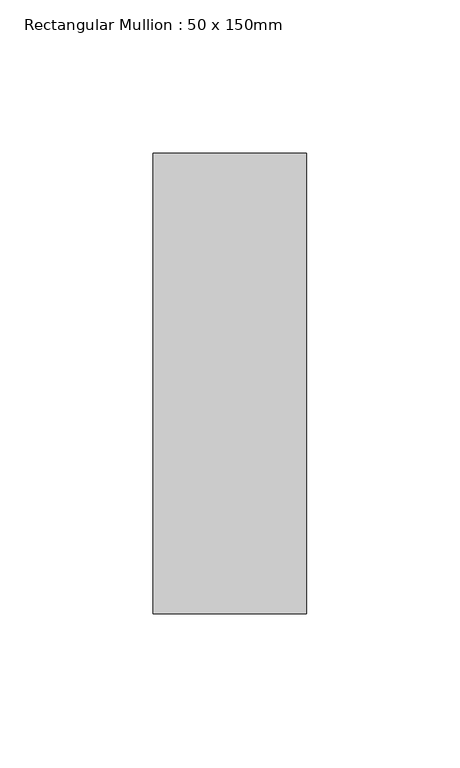
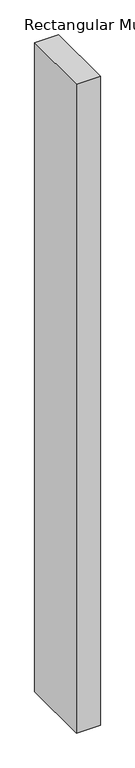
"""IFC4 building model written with IfcOpenShell, lengths in millimetres: member geometry, Rectangular Mullion : 50 x 150mm."""

import ifcopenshell
import ifcopenshell.guid

model = None  # the IFC model being written
_history = None  # IfcOwnerHistory: only IFC2X3 demands one
_inside = {}  # id of a spatial element -> (the spatial element, [elements in it])
_under = {}  # id of a project, library or spatial element -> (it, [spatial elements below it])
_declared = {}  # id of a project -> (the project, [libraries it declares])
_typed = {}  # id of a type object -> (the type object, [elements of that type])
_made_of = {}  # id of a material, layer set ... -> (it, [elements and type objects made of it])


def new_model(schema):
    """Start an empty IFC model of exactly this schema.

    Asked for "IFC4X3", IfcOpenShell would pick the latest addendum, in which some entities
    have other attributes; the version numbers below select the first issue.
    IFC2X3 requires an IfcOwnerHistory on every rooted entity: one is made here for all.
    """
    global model, _history
    if schema == "IFC4X3":
        model = ifcopenshell.file(schema_version=(4, 3, 0, 0))
    else:
        model = ifcopenshell.file(schema=schema)
    _inside.clear()
    _under.clear()
    _declared.clear()
    _typed.clear()
    _made_of.clear()
    _history = None
    if model.schema == "IFC2X3":
        org = make("IfcOrganization", Name="unknown")
        user = make(
            "IfcPersonAndOrganization",
            ThePerson=make("IfcPerson", FamilyName="unknown"),
            TheOrganization=org,
        )
        app = make(
            "IfcApplication",
            ApplicationDeveloper=org,
            Version="unknown",
            ApplicationFullName="unknown",
            ApplicationIdentifier="unknown",
        )
        _history = make(
            "IfcOwnerHistory",
            OwningUser=user,
            OwningApplication=app,
            ChangeAction="ADDED",
            CreationDate=0,
        )
    return model


def make(cls, **values):
    """One entity of the class cls with the attributes given. An attribute that is None is left unset."""
    return model.create_entity(
        cls, **{name: value for name, value in values.items() if value is not None}
    )


def rooted(cls, **values):
    """An entity with a GlobalId (a new one), such as an element, a storey or a relation."""
    return make(cls, GlobalId=ifcopenshell.guid.new(), OwnerHistory=_history, **values)


def si_unit(unit_type, name, prefix=None):
    """IfcSIUnit, for example si_unit("LENGTHUNIT", "METRE", prefix="MILLI")."""
    return make("IfcSIUnit", UnitType=unit_type, Prefix=prefix, Name=name)


def assignment(units):
    """IfcUnitAssignment: the units of a project."""
    return None if units is None else make("IfcUnitAssignment", Units=units)


def point(xyz):
    """IfcCartesianPoint."""
    return None if xyz is None else make("IfcCartesianPoint", Coordinates=xyz)


def direction(xyz):
    """IfcDirection."""
    return None if xyz is None else make("IfcDirection", DirectionRatios=xyz)


def frame(location, z_axis=None, x_axis=None):
    """IfcAxis2Placement3D, a coordinate frame: its origin and axes. An axis left out is left unset."""
    return make(
        "IfcAxis2Placement3D",
        Location=point(location),
        Axis=direction(z_axis),
        RefDirection=direction(x_axis),
    )


def origin():
    """The frame at (0, 0, 0) with its axes left unset."""
    return frame((0.0, 0.0, 0.0))


def place(relative_to, where):
    """IfcLocalPlacement: puts the frame where relative to a parent placement (None: the world)."""
    return make(
        "IfcLocalPlacement", PlacementRelTo=relative_to, RelativePlacement=where
    )


def context(
    kind, dimensions, precision=None, world=None, true_north=None, identifier=None
):
    """IfcGeometricRepresentationContext, for example the 3D "Model" context."""
    return make(
        "IfcGeometricRepresentationContext",
        ContextIdentifier=identifier,
        ContextType=kind,
        CoordinateSpaceDimension=dimensions,
        Precision=precision,
        WorldCoordinateSystem=world,
        TrueNorth=true_north,
    )


def project(units=None, contexts=None):
    """IfcProject with its units and contexts."""
    return rooted(
        "IfcProject",
        Name="project",
        RepresentationContexts=contexts,
        UnitsInContext=assignment(units),
    )


def spatial(cls, under=None, at=None, **own):
    """A site, building, storey or space (cls), placed at a placement, below another one or the project."""
    s = rooted(cls, ObjectPlacement=at, **own)
    if under is not None:
        _under.setdefault(under.id(), (under, []))[1].append(s)
    return s


def polyline(points):
    """IfcPolyline through the points."""
    return make("IfcPolyline", Points=[point(p) for p in points])


def outline(outer, holes=None, kind="AREA"):
    """IfcArbitraryClosedProfileDef: a profile drawn as a closed curve; with holes, ...WithVoids."""
    if holes is None:
        return make("IfcArbitraryClosedProfileDef", ProfileType=kind, OuterCurve=outer)
    return make(
        "IfcArbitraryProfileDefWithVoids",
        ProfileType=kind,
        OuterCurve=outer,
        InnerCurves=holes,
    )


def extrude(swept, where, along, depth):
    """IfcExtrudedAreaSolid: the profile swept, set in the frame where, extruded along a direction by depth."""
    return make(
        "IfcExtrudedAreaSolid",
        SweptArea=swept,
        Position=where,
        ExtrudedDirection=direction(along),
        Depth=depth,
    )


def shape(context_of_items, identifier, shape_type, items):
    """IfcShapeRepresentation: the items that make up one representation, for example the "Body"."""
    return make(
        "IfcShapeRepresentation",
        ContextOfItems=context_of_items,
        RepresentationIdentifier=identifier,
        RepresentationType=shape_type,
        Items=items,
    )


def source(mapping_origin, context_of_items, identifier, shape_type, items):
    """IfcRepresentationMap: a shape defined once, which mapped items show again and again."""
    return make(
        "IfcRepresentationMap",
        MappingOrigin=mapping_origin,
        MappedRepresentation=shape(context_of_items, identifier, shape_type, items),
    )


def transform(
    local_origin,
    x_axis=None,
    y_axis=None,
    z_axis=None,
    scale=None,
    scale2=None,
    scale3=None,
    uniform=True,
):
    """IfcCartesianTransformationOperator3D, or its non-uniform kind. x_axis, y_axis, z_axis: its Axis1, 2, 3."""
    if uniform:
        return make(
            "IfcCartesianTransformationOperator3D",
            Axis1=direction(x_axis),
            Axis2=direction(y_axis),
            LocalOrigin=point(local_origin),
            Scale=scale,
            Axis3=direction(z_axis),
        )
    return make(
        "IfcCartesianTransformationOperator3DnonUniform",
        Axis1=direction(x_axis),
        Axis2=direction(y_axis),
        LocalOrigin=point(local_origin),
        Scale=scale,
        Axis3=direction(z_axis),
        Scale2=scale2,
        Scale3=scale3,
    )


def mapped(mapping_source, mapping_target):
    """IfcMappedItem: shows the shape of a source again, moved by a transform."""
    return make(
        "IfcMappedItem", MappingSource=mapping_source, MappingTarget=mapping_target
    )


def made_of(thing, what):
    """Note that an element or type object is made of a material, layer set ...; save() writes the relation."""
    if what is not None:
        _made_of.setdefault(what.id(), (what, []))[1].append(thing)
    return thing


def element(
    cls,
    number,
    at=None,
    inside=None,
    cuts=None,
    type_object=None,
    material=None,
    context=None,
    identifier="Body",
    shape_type=None,
    held_by="IfcProductDefinitionShape",
    body=None,
    shapes=None,
    **own,
):
    """One element of the class cls, such as IfcWall. Its Tag is "e" and its number.

    at: its placement. inside: the storey or other place that contains it. cuts: it is an
    opening in that element (IfcRelVoidsElement). A single representation is given by context,
    identifier, shape_type and body (its items); several are given by shapes. held_by: the class
    of the entity that holds the representations. save() writes the other relations.
    """
    e = rooted(cls, Tag="e%d" % number, ObjectPlacement=at, **own)
    if body is not None:
        shapes = [shape(context, identifier, shape_type, body)]
    if shapes is not None:
        e.Representation = make(held_by, Representations=shapes)
    if inside is not None:
        _inside.setdefault(inside.id(), (inside, []))[1].append(e)
    if cuts is not None:
        rooted(
            "IfcRelVoidsElement", RelatingBuildingElement=cuts, RelatedOpeningElement=e
        )
    if type_object is not None:
        _typed.setdefault(type_object.id(), (type_object, []))[1].append(e)
    return made_of(e, material)


def aggregate(whole, parts):
    """IfcRelAggregates: a whole, such as a stair, and the parts it consists of."""
    return rooted("IfcRelAggregates", RelatingObject=whole, RelatedObjects=parts)


def save(model, path):
    """Write the relations noted so far, then the file.

    IfcRelAggregates (storeys below a building ...), IfcRelContainedInSpatialStructure (elements
    in a storey), IfcRelDefinesByType, IfcRelAssociatesMaterial and IfcRelDeclares: one each for
    every whole, place, type object, material and project.
    """
    for whole, parts in _under.values():
        aggregate(whole, parts)
    for where, things in _inside.values():
        rooted(
            "IfcRelContainedInSpatialStructure",
            RelatedElements=things,
            RelatingStructure=where,
        )
    for kind, things in _typed.values():
        rooted("IfcRelDefinesByType", RelatedObjects=things, RelatingType=kind)
    for what, things in _made_of.values():
        rooted("IfcRelAssociatesMaterial", RelatedObjects=things, RelatingMaterial=what)
    for by, libraries in _declared.values():
        rooted("IfcRelDeclares", RelatingContext=by, RelatedDefinitions=libraries)
    model.write(path)


def rectangular_mullion_50_x_150mm_1a7c3ce7(model_context):
    return source(origin(), model_context, "Body", "SweptSolid", [
        extrude(outline(polyline([(25.0, 75.0), (25.0, -75.0), (-25.0, -75.0), (-25.0, 75.0), (25.0, 75.0)])), frame((0.0, 0.0, -1427.3858794), z_axis=(0.0, 0.0, 1.0), x_axis=(1.0, 0.0, 0.0)), (0.0, 0.0, 1.0), 1427.3858794),
    ])


if __name__ == "__main__":
    model = new_model("IFC4")
    model_context = context("Model", 3, world=origin())
    ifc_project = project(units=[si_unit("LENGTHUNIT", "METRE", prefix="MILLI")], contexts=[model_context])
    site = spatial("IfcSite", under=ifc_project)
    building = spatial("IfcBuilding", under=site)
    placement = place(None, origin())
    rectangular_mullion_50_x_150mm_shape = rectangular_mullion_50_x_150mm_1a7c3ce7(model_context)
    element("IfcMember", 1, ObjectType="Rectangular Mullion : 50 x 150mm", at=placement, inside=building, context=model_context, shape_type="MappedRepresentation", body=[
        mapped(rectangular_mullion_50_x_150mm_shape, transform((0.0, 0.0, 0.0), x_axis=(1.0, 0.0, 0.0), y_axis=(0.0, 1.0, 0.0), z_axis=(0.0, 0.0, 1.0))),
    ])
    save(model, "model.ifc")
